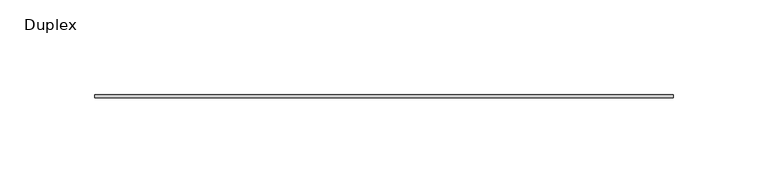
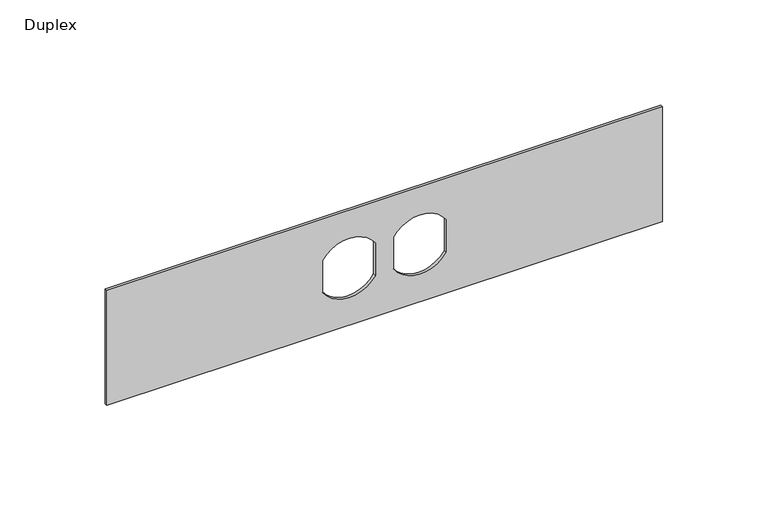
"""IFC4 building model written with IfcOpenShell, lengths in millimetres: furniture geometry, Duplex."""

import ifcopenshell
import ifcopenshell.guid

model = None  # the IFC model being written
_history = None  # IfcOwnerHistory: only IFC2X3 demands one
_inside = {}  # id of a spatial element -> (the spatial element, [elements in it])
_under = {}  # id of a project, library or spatial element -> (it, [spatial elements below it])
_declared = {}  # id of a project -> (the project, [libraries it declares])
_typed = {}  # id of a type object -> (the type object, [elements of that type])
_made_of = {}  # id of a material, layer set ... -> (it, [elements and type objects made of it])


def new_model(schema):
    """Start an empty IFC model of exactly this schema.

    Asked for "IFC4X3", IfcOpenShell would pick the latest addendum, in which some entities
    have other attributes; the version numbers below select the first issue.
    IFC2X3 requires an IfcOwnerHistory on every rooted entity: one is made here for all.
    """
    global model, _history
    if schema == "IFC4X3":
        model = ifcopenshell.file(schema_version=(4, 3, 0, 0))
    else:
        model = ifcopenshell.file(schema=schema)
    _inside.clear()
    _under.clear()
    _declared.clear()
    _typed.clear()
    _made_of.clear()
    _history = None
    if model.schema == "IFC2X3":
        org = make("IfcOrganization", Name="unknown")
        user = make(
            "IfcPersonAndOrganization",
            ThePerson=make("IfcPerson", FamilyName="unknown"),
            TheOrganization=org,
        )
        app = make(
            "IfcApplication",
            ApplicationDeveloper=org,
            Version="unknown",
            ApplicationFullName="unknown",
            ApplicationIdentifier="unknown",
        )
        _history = make(
            "IfcOwnerHistory",
            OwningUser=user,
            OwningApplication=app,
            ChangeAction="ADDED",
            CreationDate=0,
        )
    return model


def make(cls, **values):
    """One entity of the class cls with the attributes given. An attribute that is None is left unset."""
    return model.create_entity(
        cls, **{name: value for name, value in values.items() if value is not None}
    )


def rooted(cls, **values):
    """An entity with a GlobalId (a new one), such as an element, a storey or a relation."""
    return make(cls, GlobalId=ifcopenshell.guid.new(), OwnerHistory=_history, **values)


def si_unit(unit_type, name, prefix=None):
    """IfcSIUnit, for example si_unit("LENGTHUNIT", "METRE", prefix="MILLI")."""
    return make("IfcSIUnit", UnitType=unit_type, Prefix=prefix, Name=name)


def assignment(units):
    """IfcUnitAssignment: the units of a project."""
    return None if units is None else make("IfcUnitAssignment", Units=units)


def point(xyz):
    """IfcCartesianPoint."""
    return None if xyz is None else make("IfcCartesianPoint", Coordinates=xyz)


def direction(xyz):
    """IfcDirection."""
    return None if xyz is None else make("IfcDirection", DirectionRatios=xyz)


def frame(location, z_axis=None, x_axis=None):
    """IfcAxis2Placement3D, a coordinate frame: its origin and axes. An axis left out is left unset."""
    return make(
        "IfcAxis2Placement3D",
        Location=point(location),
        Axis=direction(z_axis),
        RefDirection=direction(x_axis),
    )


def frame_2d(location, x_axis=None):
    """IfcAxis2Placement2D, a coordinate frame in the plane: its origin and x axis."""
    return make(
        "IfcAxis2Placement2D", Location=point(location), RefDirection=direction(x_axis)
    )


def origin():
    """The frame at (0, 0, 0) with its axes left unset."""
    return frame((0.0, 0.0, 0.0))


def place(relative_to, where):
    """IfcLocalPlacement: puts the frame where relative to a parent placement (None: the world)."""
    return make(
        "IfcLocalPlacement", PlacementRelTo=relative_to, RelativePlacement=where
    )


def context(
    kind, dimensions, precision=None, world=None, true_north=None, identifier=None
):
    """IfcGeometricRepresentationContext, for example the 3D "Model" context."""
    return make(
        "IfcGeometricRepresentationContext",
        ContextIdentifier=identifier,
        ContextType=kind,
        CoordinateSpaceDimension=dimensions,
        Precision=precision,
        WorldCoordinateSystem=world,
        TrueNorth=true_north,
    )


def project(units=None, contexts=None):
    """IfcProject with its units and contexts."""
    return rooted(
        "IfcProject",
        Name="project",
        RepresentationContexts=contexts,
        UnitsInContext=assignment(units),
    )


def spatial(cls, under=None, at=None, **own):
    """A site, building, storey or space (cls), placed at a placement, below another one or the project."""
    s = rooted(cls, ObjectPlacement=at, **own)
    if under is not None:
        _under.setdefault(under.id(), (under, []))[1].append(s)
    return s


def polyline(points):
    """IfcPolyline through the points."""
    return make("IfcPolyline", Points=[point(p) for p in points])


def circle_curve(where, radius):
    """IfcCircle in the frame where."""
    return make("IfcCircle", Position=where, Radius=radius)


def trimmed(basis, trim1, trim2, sense, master):
    """IfcTrimmedCurve: the piece of a basis curve between two trims."""
    return make(
        "IfcTrimmedCurve",
        BasisCurve=basis,
        Trim1=trim1,
        Trim2=trim2,
        SenseAgreement=sense,
        MasterRepresentation=master,
    )


def segment(curve, same_sense, transition):
    """IfcCompositeCurveSegment."""
    return make(
        "IfcCompositeCurveSegment",
        Transition=transition,
        SameSense=same_sense,
        ParentCurve=curve,
    )


def composite_curve(segments, self_intersect=None):
    """IfcCompositeCurve: segments joined end to end."""
    return make("IfcCompositeCurve", Segments=segments, SelfIntersect=self_intersect)


def outline(outer, holes=None, kind="AREA"):
    """IfcArbitraryClosedProfileDef: a profile drawn as a closed curve; with holes, ...WithVoids."""
    if holes is None:
        return make("IfcArbitraryClosedProfileDef", ProfileType=kind, OuterCurve=outer)
    return make(
        "IfcArbitraryProfileDefWithVoids",
        ProfileType=kind,
        OuterCurve=outer,
        InnerCurves=holes,
    )


def extrude(swept, where, along, depth):
    """IfcExtrudedAreaSolid: the profile swept, set in the frame where, extruded along a direction by depth."""
    return make(
        "IfcExtrudedAreaSolid",
        SweptArea=swept,
        Position=where,
        ExtrudedDirection=direction(along),
        Depth=depth,
    )


def shape(context_of_items, identifier, shape_type, items):
    """IfcShapeRepresentation: the items that make up one representation, for example the "Body"."""
    return make(
        "IfcShapeRepresentation",
        ContextOfItems=context_of_items,
        RepresentationIdentifier=identifier,
        RepresentationType=shape_type,
        Items=items,
    )


def source(mapping_origin, context_of_items, identifier, shape_type, items):
    """IfcRepresentationMap: a shape defined once, which mapped items show again and again."""
    return make(
        "IfcRepresentationMap",
        MappingOrigin=mapping_origin,
        MappedRepresentation=shape(context_of_items, identifier, shape_type, items),
    )


def transform(
    local_origin,
    x_axis=None,
    y_axis=None,
    z_axis=None,
    scale=None,
    scale2=None,
    scale3=None,
    uniform=True,
):
    """IfcCartesianTransformationOperator3D, or its non-uniform kind. x_axis, y_axis, z_axis: its Axis1, 2, 3."""
    if uniform:
        return make(
            "IfcCartesianTransformationOperator3D",
            Axis1=direction(x_axis),
            Axis2=direction(y_axis),
            LocalOrigin=point(local_origin),
            Scale=scale,
            Axis3=direction(z_axis),
        )
    return make(
        "IfcCartesianTransformationOperator3DnonUniform",
        Axis1=direction(x_axis),
        Axis2=direction(y_axis),
        LocalOrigin=point(local_origin),
        Scale=scale,
        Axis3=direction(z_axis),
        Scale2=scale2,
        Scale3=scale3,
    )


def mapped(mapping_source, mapping_target):
    """IfcMappedItem: shows the shape of a source again, moved by a transform."""
    return make(
        "IfcMappedItem", MappingSource=mapping_source, MappingTarget=mapping_target
    )


def made_of(thing, what):
    """Note that an element or type object is made of a material, layer set ...; save() writes the relation."""
    if what is not None:
        _made_of.setdefault(what.id(), (what, []))[1].append(thing)
    return thing


def element(
    cls,
    number,
    at=None,
    inside=None,
    cuts=None,
    type_object=None,
    material=None,
    context=None,
    identifier="Body",
    shape_type=None,
    held_by="IfcProductDefinitionShape",
    body=None,
    shapes=None,
    **own,
):
    """One element of the class cls, such as IfcWall. Its Tag is "e" and its number.

    at: its placement. inside: the storey or other place that contains it. cuts: it is an
    opening in that element (IfcRelVoidsElement). A single representation is given by context,
    identifier, shape_type and body (its items); several are given by shapes. held_by: the class
    of the entity that holds the representations. save() writes the other relations.
    """
    e = rooted(cls, Tag="e%d" % number, ObjectPlacement=at, **own)
    if body is not None:
        shapes = [shape(context, identifier, shape_type, body)]
    if shapes is not None:
        e.Representation = make(held_by, Representations=shapes)
    if inside is not None:
        _inside.setdefault(inside.id(), (inside, []))[1].append(e)
    if cuts is not None:
        rooted(
            "IfcRelVoidsElement", RelatingBuildingElement=cuts, RelatedOpeningElement=e
        )
    if type_object is not None:
        _typed.setdefault(type_object.id(), (type_object, []))[1].append(e)
    return made_of(e, material)


def aggregate(whole, parts):
    """IfcRelAggregates: a whole, such as a stair, and the parts it consists of."""
    return rooted("IfcRelAggregates", RelatingObject=whole, RelatedObjects=parts)


def save(model, path):
    """Write the relations noted so far, then the file.

    IfcRelAggregates (storeys below a building ...), IfcRelContainedInSpatialStructure (elements
    in a storey), IfcRelDefinesByType, IfcRelAssociatesMaterial and IfcRelDeclares: one each for
    every whole, place, type object, material and project.
    """
    for whole, parts in _under.values():
        aggregate(whole, parts)
    for where, things in _inside.values():
        rooted(
            "IfcRelContainedInSpatialStructure",
            RelatedElements=things,
            RelatingStructure=where,
        )
    for kind, things in _typed.values():
        rooted("IfcRelDefinesByType", RelatedObjects=things, RelatingType=kind)
    for what, things in _made_of.values():
        rooted("IfcRelAssociatesMaterial", RelatedObjects=things, RelatingMaterial=what)
    for by, libraries in _declared.values():
        rooted("IfcRelDeclares", RelatingContext=by, RelatedDefinitions=libraries)
    model.write(path)


def duplex_60ae3060(model_context):
    return source(origin(), model_context, "Body", "SweptSolid", [
        extrude(outline(polyline([(1098.55, 171.1377049), (1098.55, -133.6622951), (1031.875, -133.6622951), (1031.875, 171.1377049), (1098.55, 171.1377049)]), holes=[composite_curve([segment(polyline([(1074.5390625, 13.6775487), (1055.9134118, 13.6775487)]), True, "CONTINUOUS"), segment(trimmed(circle_curve(frame_2d((1065.2125, -0.7091701)), 17.1304033), [point((1055.9134118, 13.6775487))], [point((1055.7616767, -14.9966701))], True, "CARTESIAN"), True, "CONTINUOUS"), segment(polyline([(1055.7616767, -14.9966701), (1074.5390625, -14.9966701)]), True, "CONTINUOUS"), segment(trimmed(circle_curve(frame_2d((1065.1636685, -0.6595607)), 17.1304033), [point((1074.5390625, -14.9966701))], [point((1074.5390625, 13.6775487))], True, "CARTESIAN"), True, "CONTINUOUS")], self_intersect=False), composite_curve([segment(trimmed(circle_curve(frame_2d((1065.2125, 38.1845799)), 17.1304033), [point((1074.5115882, 23.7978612))], [point((1074.6633233, 52.4720799))], True, "CARTESIAN"), True, "CONTINUOUS"), segment(polyline([(1074.6633233, 52.4720799), (1055.7616767, 52.4720799)]), True, "CONTINUOUS"), segment(trimmed(circle_curve(frame_2d((1065.2125, 38.1845799)), 17.1304033), [point((1055.7616767, 52.4720799))], [point((1055.9134118, 23.7978612))], True, "CARTESIAN"), True, "CONTINUOUS"), segment(polyline([(1055.9134118, 23.7978612), (1074.5115882, 23.7978612)]), True, "CONTINUOUS")], self_intersect=False)]), frame((0.0, -1.5875, 0.0), z_axis=(0.0, 1.0, 0.0), x_axis=(0.0, 0.0, 1.0)), (0.0, 0.0, 1.0), 1.5875),
    ])


if __name__ == "__main__":
    model = new_model("IFC4")
    model_context = context("Model", 3, world=origin())
    ifc_project = project(units=[si_unit("LENGTHUNIT", "METRE", prefix="MILLI")], contexts=[model_context])
    site = spatial("IfcSite", under=ifc_project)
    building = spatial("IfcBuilding", under=site)
    placement = place(None, origin())
    duplex_shape = duplex_60ae3060(model_context)
    element("IfcFurniture", 1, ObjectType="Duplex", at=placement, inside=building, context=model_context, shape_type="MappedRepresentation", body=[
        mapped(duplex_shape, transform((0.0, 0.0, 0.0), x_axis=(1.0, 0.0, 0.0), y_axis=(0.0, 1.0, 0.0), z_axis=(0.0, 0.0, 1.0))),
    ])
    save(model, "model.ifc")
